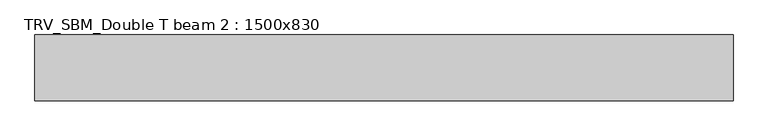
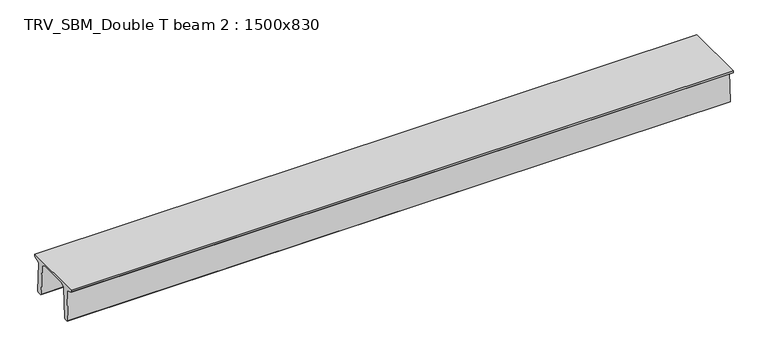
"""IFC4 building model written with IfcOpenShell, lengths in millimetres: beam geometry, TRV_SBM_Double T beam 2 : 1500x830."""

from ifc_helpers import new_model, si_unit, frame, origin, place, context, project, spatial, polyline, outline, extrude, source, transform, mapped, element, save


def trv_sbm_double_t_beam_2_1500x830_0b5b5ceb(model_context):
    return source(origin(), model_context, "Body", "SweptSolid", [
        extrude(outline(polyline([(337.4555014, 470.0), (-343.4555014, 470.0), (-456.5828437, 409.8491251), (-494.786332, -340.5206011), (-514.2657308, -360.0), (-604.2657308, -360.0), (-624.8277662, -339.4379646), (-586.9373878, 401.9654693), (-752.8511046, 468.9989621), (-753.0, 475.0), (-753.0, 520.0), (747.0, 520.0), (747.0, 475.0), (746.8511046, 468.9989621), (580.9373878, 401.9654693), (618.8277662, -339.4379646), (598.2657308, -360.0), (508.2657308, -360.0), (488.786332, -340.5206011), (450.5828437, 409.8491251), (337.4555014, 470.0)])), frame((-7902.5, 0.0, 0.0), z_axis=(1.0, 0.0, 0.0), x_axis=(0.0, 1.0, 0.0)), (0.0, 0.0, 1.0), 15882.0),
    ])


if __name__ == "__main__":
    model = new_model("IFC4")
    model_context = context("Model", 3, world=origin())
    ifc_project = project(units=[si_unit("LENGTHUNIT", "METRE", prefix="MILLI")], contexts=[model_context])
    site = spatial("IfcSite", under=ifc_project)
    building = spatial("IfcBuilding", under=site)
    placement = place(None, origin())
    trv_sbm_double_t_beam_2_1500x830_shape = trv_sbm_double_t_beam_2_1500x830_0b5b5ceb(model_context)
    element("IfcBeam", 1, ObjectType="TRV_SBM_Double T beam 2 : 1500x830", at=placement, inside=building, context=model_context, shape_type="MappedRepresentation", body=[
        mapped(trv_sbm_double_t_beam_2_1500x830_shape, transform((0.0, 0.0, 0.0), x_axis=(1.0, 0.0, 0.0), y_axis=(0.0, 1.0, 0.0), z_axis=(0.0, 0.0, 1.0))),
    ])
    save(model, "model.ifc")
